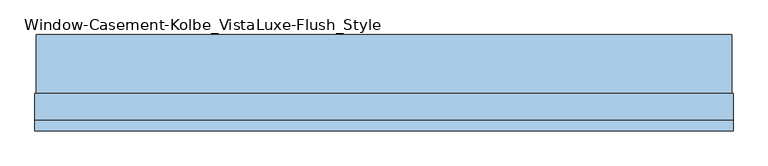
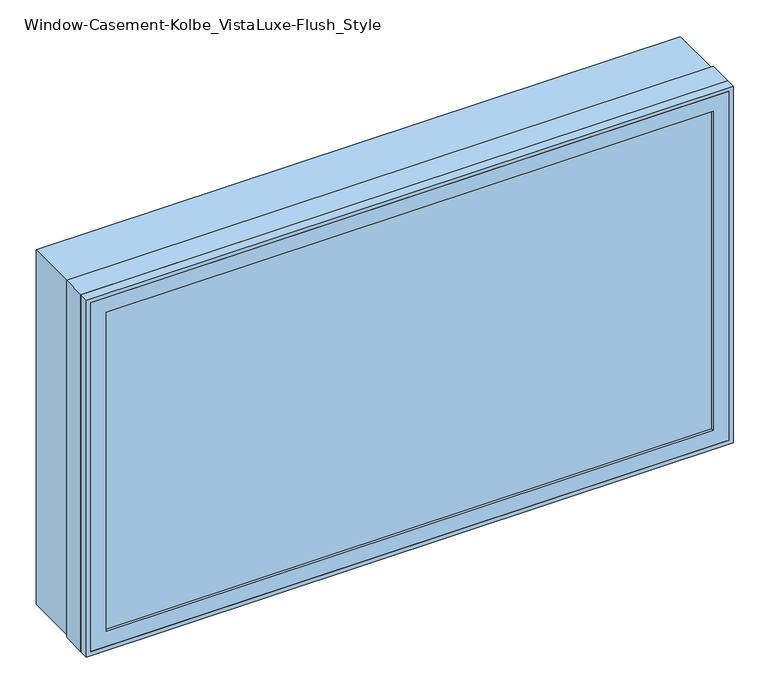
"""IFC4 building model written with IfcOpenShell, lengths in millimetres: window geometry, Window-Casement-Kolbe_VistaLuxe-Flush_Style."""

from ifc_helpers import new_model, si_unit, frame, origin, place, context, project, spatial, polyline, outline, extrude, faceted_brep, source, transform, mapped, element, save


def window_casement_kolbe_vistaluxe_flush_style_958e2f51(model_context):
    return source(origin(), model_context, "Body", "SolidModel", [
        faceted_brep([(-863.6696599, -130.90398, 970.676875), (-863.6696599, -138.84148, 970.676875), (852.5765901, -138.84148, 970.676875), (852.5765901, -130.90398, 970.676875), (-879.5446599, -108.65358, 954.801875), (-879.5446599, -130.90398, 954.801875), (868.4515901, -130.90398, 954.801875), (868.4515901, -108.65358, 954.801875), (-863.6696599, -89.62898, 970.676875), (-863.6696599, -108.65358, 970.676875), (852.5765901, -108.65358, 970.676875), (852.5765901, -89.62898, 970.676875), (-908.1196599, -138.84148, 926.226875), (-908.1196599, -89.62898, 926.226875), (897.0265901, -89.62898, 926.226875), (897.0265901, -138.84148, 926.226875), (852.5765901, -138.84148, 1924.923125), (852.5765901, -130.90398, 1924.923125), (868.4515901, -130.90398, 1940.798125), (868.4515901, -108.65358, 1940.798125), (852.5765901, -108.65358, 1924.923125), (852.5765901, -89.62898, 1924.923125), (897.0265901, -89.62898, 1969.373125), (897.0265901, -138.84148, 1969.373125), (-863.6696599, -138.84148, 1924.923125), (-863.6696599, -130.90398, 1924.923125), (-879.5446599, -130.90398, 1940.798125), (-879.5446599, -108.65358, 1940.798125), (-863.6696599, -108.65358, 1924.923125), (-863.6696599, -89.62898, 1924.923125), (-908.1196599, -89.62898, 1969.373125), (-908.1196599, -138.84148, 1969.373125)], [[[0, 1, 2, 3]], [[4, 5, 6, 7]], [[8, 9, 10, 11]], [[12, 13, 14, 15]], [[3, 2, 16, 17]], [[7, 6, 18, 19]], [[11, 10, 20, 21]], [[15, 14, 22, 23]], [[17, 16, 24, 25]], [[19, 18, 26, 27]], [[21, 20, 28, 29]], [[23, 22, 30, 31]], [[25, 24, 1, 0]], [[5, 26, 18, 6], [3, 17, 25, 0]], [[27, 26, 5, 4]], [[7, 19, 27, 4], [9, 28, 20, 10]], [[29, 28, 9, 8]], [[13, 30, 22, 14], [11, 21, 29, 8]], [[31, 30, 13, 12]], [[15, 23, 31, 12], [1, 24, 16, 2]]]),
        extrude(outline(polyline([(1977.6186, 905.2720651), (1977.6186, -916.3651349), (917.9814, -916.3651349), (917.9814, 905.2720651), (1977.6186, 905.2720651)]), holes=[polyline([(936.545625, 886.7078401), (936.545625, -897.8009099), (1959.054375, -897.8009099), (1959.054375, 886.7078401), (936.545625, 886.7078401)])]), frame((0.0, -42.0497, 0.0), z_axis=(0.0, 1.0, 0.0), x_axis=(0.0, 0.0, 1.0)), (0.0, 0.0, 1.0), 154.7622),
        extrude(outline(polyline([(1981.2, -919.9465349), (914.4, -919.9465349), (914.4, 908.8534651), (1981.2, 908.8534651), (1981.2, -919.9465349)]), holes=[polyline([(1969.373125, 897.0265901), (926.226875, 897.0265901), (926.226875, -908.1196599), (1969.373125, -908.1196599), (1969.373125, 897.0265901)])]), frame((0.0, -139.6365, 0.0), z_axis=(0.0, 1.0, 0.0), x_axis=(0.0, 0.0, 1.0)), (0.0, 0.0, 1.0), 26.924),
        faceted_brep([(908.8534651, -42.0497, 914.4), (908.8534651, -112.7125, 914.4), (-919.9465349, -112.7125, 914.4), (-919.9465349, -42.0497, 914.4), (886.7078401, -89.63025, 936.545625), (886.7078401, -42.0497, 936.545625), (-897.8009099, -42.0497, 936.545625), (-897.8009099, -89.63025, 936.545625), (897.0265901, -112.7125, 926.226875), (897.0265901, -89.63025, 926.226875), (-908.1196599, -89.63025, 926.226875), (-908.1196599, -112.7125, 926.226875), (-919.9465349, -112.7125, 1981.2), (-919.9465349, -42.0497, 1981.2), (-897.8009099, -42.0497, 1959.054375), (-897.8009099, -89.63025, 1959.054375), (-908.1196599, -89.63025, 1969.373125), (-908.1196599, -112.7125, 1969.373125), (908.8534651, -112.7125, 1981.2), (908.8534651, -42.0497, 1981.2), (886.7078401, -42.0497, 1959.054375), (886.7078401, -89.63025, 1959.054375), (897.0265901, -89.63025, 1969.373125), (897.0265901, -112.7125, 1969.373125)], [[[0, 1, 2, 3]], [[4, 5, 6, 7]], [[8, 9, 10, 11]], [[3, 2, 12, 13]], [[7, 6, 14, 15]], [[11, 10, 16, 17]], [[13, 12, 18, 19]], [[15, 14, 20, 21]], [[17, 16, 22, 23]], [[19, 18, 1, 0]], [[3, 13, 19, 0], [5, 20, 14, 6]], [[21, 20, 5, 4]], [[9, 22, 16, 10], [7, 15, 21, 4]], [[23, 22, 9, 8]], [[1, 18, 12, 2], [11, 17, 23, 8]]]),
        extrude(outline(polyline([(865.2765901, -111.82858), (-876.3696599, -111.82858), (-876.3696599, -108.65358), (865.2765901, -108.65358), (865.2765901, -111.82858)])), frame((0.0, 0.0, 957.976875), z_axis=(0.0, 0.0, 1.0), x_axis=(1.0, 0.0, 0.0)), (0.0, 0.0, 1.0), 979.64625),
        extrude(outline(polyline([(865.2765901, -127.72898), (865.2765901, -130.90398), (-876.3696599, -130.90398), (-876.3696599, -127.72898), (865.2765901, -127.72898)])), frame((0.0, 0.0, 957.976875), z_axis=(0.0, 0.0, 1.0), x_axis=(1.0, 0.0, 0.0)), (0.0, 0.0, 1.0), 979.64625),
        extrude(outline(polyline([(936.545625, 886.7078401), (1959.054375, 886.7078401), (1959.054375, -897.8009099), (936.545625, -897.8009099), (936.545625, 886.7078401)]), holes=[polyline([(954.801875, -879.5446599), (1940.798125, -879.5446599), (1940.798125, 868.4515901), (954.801875, 868.4515901), (954.801875, -879.5446599)])]), frame((0.0, -89.63025, 0.0), z_axis=(0.0, 1.0, 0.0), x_axis=(0.0, 0.0, 1.0)), (0.0, 0.0, 1.0), 50.8),
    ])


if __name__ == "__main__":
    model = new_model("IFC4")
    model_context = context("Model", 3, world=origin())
    ifc_project = project(units=[si_unit("LENGTHUNIT", "METRE", prefix="MILLI")], contexts=[model_context])
    site = spatial("IfcSite", under=ifc_project)
    building = spatial("IfcBuilding", under=site)
    placement = place(None, origin())
    window_casement_kolbe_vistaluxe_flush_style_shape = window_casement_kolbe_vistaluxe_flush_style_958e2f51(model_context)
    element("IfcWindow", 1, ObjectType="Window-Casement-Kolbe_VistaLuxe-Flush_Style", at=placement, inside=building, context=model_context, shape_type="MappedRepresentation", body=[
        mapped(window_casement_kolbe_vistaluxe_flush_style_shape, transform((0.0, 0.0, 0.0), x_axis=(1.0, 0.0, 0.0), y_axis=(0.0, 1.0, 0.0), z_axis=(0.0, 0.0, 1.0))),
    ])
    save(model, "model.ifc")
